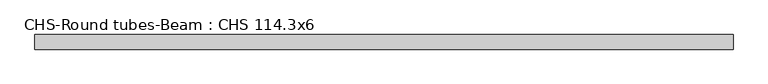
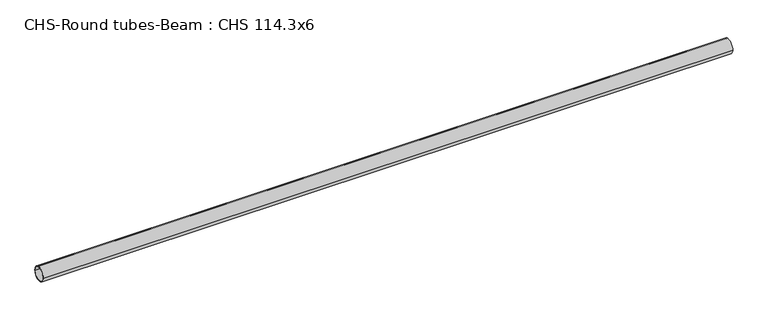
"""IFC4 building model written with IfcOpenShell, lengths in millimetres: beam geometry, CHS-Round tubes-Beam : CHS 114.3x6."""

import ifcopenshell
import ifcopenshell.guid

model = None  # the IFC model being written
_history = None  # IfcOwnerHistory: only IFC2X3 demands one
_inside = {}  # id of a spatial element -> (the spatial element, [elements in it])
_under = {}  # id of a project, library or spatial element -> (it, [spatial elements below it])
_declared = {}  # id of a project -> (the project, [libraries it declares])
_typed = {}  # id of a type object -> (the type object, [elements of that type])
_made_of = {}  # id of a material, layer set ... -> (it, [elements and type objects made of it])


def new_model(schema):
    """Start an empty IFC model of exactly this schema.

    Asked for "IFC4X3", IfcOpenShell would pick the latest addendum, in which some entities
    have other attributes; the version numbers below select the first issue.
    IFC2X3 requires an IfcOwnerHistory on every rooted entity: one is made here for all.
    """
    global model, _history
    if schema == "IFC4X3":
        model = ifcopenshell.file(schema_version=(4, 3, 0, 0))
    else:
        model = ifcopenshell.file(schema=schema)
    _inside.clear()
    _under.clear()
    _declared.clear()
    _typed.clear()
    _made_of.clear()
    _history = None
    if model.schema == "IFC2X3":
        org = make("IfcOrganization", Name="unknown")
        user = make(
            "IfcPersonAndOrganization",
            ThePerson=make("IfcPerson", FamilyName="unknown"),
            TheOrganization=org,
        )
        app = make(
            "IfcApplication",
            ApplicationDeveloper=org,
            Version="unknown",
            ApplicationFullName="unknown",
            ApplicationIdentifier="unknown",
        )
        _history = make(
            "IfcOwnerHistory",
            OwningUser=user,
            OwningApplication=app,
            ChangeAction="ADDED",
            CreationDate=0,
        )
    return model


def make(cls, **values):
    """One entity of the class cls with the attributes given. An attribute that is None is left unset."""
    return model.create_entity(
        cls, **{name: value for name, value in values.items() if value is not None}
    )


def rooted(cls, **values):
    """An entity with a GlobalId (a new one), such as an element, a storey or a relation."""
    return make(cls, GlobalId=ifcopenshell.guid.new(), OwnerHistory=_history, **values)


def si_unit(unit_type, name, prefix=None):
    """IfcSIUnit, for example si_unit("LENGTHUNIT", "METRE", prefix="MILLI")."""
    return make("IfcSIUnit", UnitType=unit_type, Prefix=prefix, Name=name)


def assignment(units):
    """IfcUnitAssignment: the units of a project."""
    return None if units is None else make("IfcUnitAssignment", Units=units)


def point(xyz):
    """IfcCartesianPoint."""
    return None if xyz is None else make("IfcCartesianPoint", Coordinates=xyz)


def direction(xyz):
    """IfcDirection."""
    return None if xyz is None else make("IfcDirection", DirectionRatios=xyz)


def frame(location, z_axis=None, x_axis=None):
    """IfcAxis2Placement3D, a coordinate frame: its origin and axes. An axis left out is left unset."""
    return make(
        "IfcAxis2Placement3D",
        Location=point(location),
        Axis=direction(z_axis),
        RefDirection=direction(x_axis),
    )


def frame_2d(location, x_axis=None):
    """IfcAxis2Placement2D, a coordinate frame in the plane: its origin and x axis."""
    return make(
        "IfcAxis2Placement2D", Location=point(location), RefDirection=direction(x_axis)
    )


def origin():
    """The frame at (0, 0, 0) with its axes left unset."""
    return frame((0.0, 0.0, 0.0))


def origin_2d():
    """The frame at (0, 0) in the plane with its x axis left unset."""
    return frame_2d((0.0, 0.0))


def place(relative_to, where):
    """IfcLocalPlacement: puts the frame where relative to a parent placement (None: the world)."""
    return make(
        "IfcLocalPlacement", PlacementRelTo=relative_to, RelativePlacement=where
    )


def context(
    kind, dimensions, precision=None, world=None, true_north=None, identifier=None
):
    """IfcGeometricRepresentationContext, for example the 3D "Model" context."""
    return make(
        "IfcGeometricRepresentationContext",
        ContextIdentifier=identifier,
        ContextType=kind,
        CoordinateSpaceDimension=dimensions,
        Precision=precision,
        WorldCoordinateSystem=world,
        TrueNorth=true_north,
    )


def project(units=None, contexts=None):
    """IfcProject with its units and contexts."""
    return rooted(
        "IfcProject",
        Name="project",
        RepresentationContexts=contexts,
        UnitsInContext=assignment(units),
    )


def spatial(cls, under=None, at=None, **own):
    """A site, building, storey or space (cls), placed at a placement, below another one or the project."""
    s = rooted(cls, ObjectPlacement=at, **own)
    if under is not None:
        _under.setdefault(under.id(), (under, []))[1].append(s)
    return s


def circle_curve(where, radius):
    """IfcCircle in the frame where."""
    return make("IfcCircle", Position=where, Radius=radius)


def trimmed(basis, trim1, trim2, sense, master):
    """IfcTrimmedCurve: the piece of a basis curve between two trims."""
    return make(
        "IfcTrimmedCurve",
        BasisCurve=basis,
        Trim1=trim1,
        Trim2=trim2,
        SenseAgreement=sense,
        MasterRepresentation=master,
    )


def segment(curve, same_sense, transition):
    """IfcCompositeCurveSegment."""
    return make(
        "IfcCompositeCurveSegment",
        Transition=transition,
        SameSense=same_sense,
        ParentCurve=curve,
    )


def composite_curve(segments, self_intersect=None):
    """IfcCompositeCurve: segments joined end to end."""
    return make("IfcCompositeCurve", Segments=segments, SelfIntersect=self_intersect)


def outline(outer, holes=None, kind="AREA"):
    """IfcArbitraryClosedProfileDef: a profile drawn as a closed curve; with holes, ...WithVoids."""
    if holes is None:
        return make("IfcArbitraryClosedProfileDef", ProfileType=kind, OuterCurve=outer)
    return make(
        "IfcArbitraryProfileDefWithVoids",
        ProfileType=kind,
        OuterCurve=outer,
        InnerCurves=holes,
    )


def extrude(swept, where, along, depth):
    """IfcExtrudedAreaSolid: the profile swept, set in the frame where, extruded along a direction by depth."""
    return make(
        "IfcExtrudedAreaSolid",
        SweptArea=swept,
        Position=where,
        ExtrudedDirection=direction(along),
        Depth=depth,
    )


def shape(context_of_items, identifier, shape_type, items):
    """IfcShapeRepresentation: the items that make up one representation, for example the "Body"."""
    return make(
        "IfcShapeRepresentation",
        ContextOfItems=context_of_items,
        RepresentationIdentifier=identifier,
        RepresentationType=shape_type,
        Items=items,
    )


def source(mapping_origin, context_of_items, identifier, shape_type, items):
    """IfcRepresentationMap: a shape defined once, which mapped items show again and again."""
    return make(
        "IfcRepresentationMap",
        MappingOrigin=mapping_origin,
        MappedRepresentation=shape(context_of_items, identifier, shape_type, items),
    )


def transform(
    local_origin,
    x_axis=None,
    y_axis=None,
    z_axis=None,
    scale=None,
    scale2=None,
    scale3=None,
    uniform=True,
):
    """IfcCartesianTransformationOperator3D, or its non-uniform kind. x_axis, y_axis, z_axis: its Axis1, 2, 3."""
    if uniform:
        return make(
            "IfcCartesianTransformationOperator3D",
            Axis1=direction(x_axis),
            Axis2=direction(y_axis),
            LocalOrigin=point(local_origin),
            Scale=scale,
            Axis3=direction(z_axis),
        )
    return make(
        "IfcCartesianTransformationOperator3DnonUniform",
        Axis1=direction(x_axis),
        Axis2=direction(y_axis),
        LocalOrigin=point(local_origin),
        Scale=scale,
        Axis3=direction(z_axis),
        Scale2=scale2,
        Scale3=scale3,
    )


def mapped(mapping_source, mapping_target):
    """IfcMappedItem: shows the shape of a source again, moved by a transform."""
    return make(
        "IfcMappedItem", MappingSource=mapping_source, MappingTarget=mapping_target
    )


def made_of(thing, what):
    """Note that an element or type object is made of a material, layer set ...; save() writes the relation."""
    if what is not None:
        _made_of.setdefault(what.id(), (what, []))[1].append(thing)
    return thing


def element(
    cls,
    number,
    at=None,
    inside=None,
    cuts=None,
    type_object=None,
    material=None,
    context=None,
    identifier="Body",
    shape_type=None,
    held_by="IfcProductDefinitionShape",
    body=None,
    shapes=None,
    **own,
):
    """One element of the class cls, such as IfcWall. Its Tag is "e" and its number.

    at: its placement. inside: the storey or other place that contains it. cuts: it is an
    opening in that element (IfcRelVoidsElement). A single representation is given by context,
    identifier, shape_type and body (its items); several are given by shapes. held_by: the class
    of the entity that holds the representations. save() writes the other relations.
    """
    e = rooted(cls, Tag="e%d" % number, ObjectPlacement=at, **own)
    if body is not None:
        shapes = [shape(context, identifier, shape_type, body)]
    if shapes is not None:
        e.Representation = make(held_by, Representations=shapes)
    if inside is not None:
        _inside.setdefault(inside.id(), (inside, []))[1].append(e)
    if cuts is not None:
        rooted(
            "IfcRelVoidsElement", RelatingBuildingElement=cuts, RelatedOpeningElement=e
        )
    if type_object is not None:
        _typed.setdefault(type_object.id(), (type_object, []))[1].append(e)
    return made_of(e, material)


def aggregate(whole, parts):
    """IfcRelAggregates: a whole, such as a stair, and the parts it consists of."""
    return rooted("IfcRelAggregates", RelatingObject=whole, RelatedObjects=parts)


def save(model, path):
    """Write the relations noted so far, then the file.

    IfcRelAggregates (storeys below a building ...), IfcRelContainedInSpatialStructure (elements
    in a storey), IfcRelDefinesByType, IfcRelAssociatesMaterial and IfcRelDeclares: one each for
    every whole, place, type object, material and project.
    """
    for whole, parts in _under.values():
        aggregate(whole, parts)
    for where, things in _inside.values():
        rooted(
            "IfcRelContainedInSpatialStructure",
            RelatedElements=things,
            RelatingStructure=where,
        )
    for kind, things in _typed.values():
        rooted("IfcRelDefinesByType", RelatedObjects=things, RelatingType=kind)
    for what, things in _made_of.values():
        rooted("IfcRelAssociatesMaterial", RelatedObjects=things, RelatingMaterial=what)
    for by, libraries in _declared.values():
        rooted("IfcRelDeclares", RelatingContext=by, RelatedDefinitions=libraries)
    model.write(path)


def chs_round_tubes_beam_chs_114_3x6_9e5e255f(model_context):
    return source(origin(), model_context, "Body", "SweptSolid", [
        extrude(outline(composite_curve([segment(trimmed(circle_curve(origin_2d(), 57.15), [point((57.15, 0.0))], [point((-57.15, 0.0))], False, "CARTESIAN"), True, "CONTINUOUS"), segment(trimmed(circle_curve(origin_2d(), 57.15), [point((-57.15, 0.0))], [point((57.15, 0.0))], False, "CARTESIAN"), True, "CONTINUOUS")], self_intersect=False), holes=[composite_curve([segment(trimmed(circle_curve(origin_2d(), 51.15), [point((51.15, 0.0))], [point((-51.15, 0.0))], True, "CARTESIAN"), True, "CONTINUOUS"), segment(trimmed(circle_curve(origin_2d(), 51.15), [point((-51.15, 0.0))], [point((51.15, 0.0))], True, "CARTESIAN"), True, "CONTINUOUS")], self_intersect=False)]), frame((-2735.768333, 0.0, 0.0), z_axis=(1.0, 0.0, 0.0), x_axis=(0.0, 1.0, 0.0)), (0.0, 0.0, 1.0), 5445.1617922),
    ])


if __name__ == "__main__":
    model = new_model("IFC4")
    model_context = context("Model", 3, world=origin())
    ifc_project = project(units=[si_unit("LENGTHUNIT", "METRE", prefix="MILLI")], contexts=[model_context])
    site = spatial("IfcSite", under=ifc_project)
    building = spatial("IfcBuilding", under=site)
    placement = place(None, origin())
    chs_round_tubes_beam_chs_114_3x6_shape = chs_round_tubes_beam_chs_114_3x6_9e5e255f(model_context)
    element("IfcBeam", 1, ObjectType="CHS-Round tubes-Beam : CHS 114.3x6", at=placement, inside=building, context=model_context, shape_type="MappedRepresentation", body=[
        mapped(chs_round_tubes_beam_chs_114_3x6_shape, transform((0.0, 0.0, 0.0), x_axis=(1.0, 0.0, 0.0), y_axis=(0.0, 1.0, 0.0), z_axis=(0.0, 0.0, 1.0))),
    ])
    save(model, "model.ifc")
